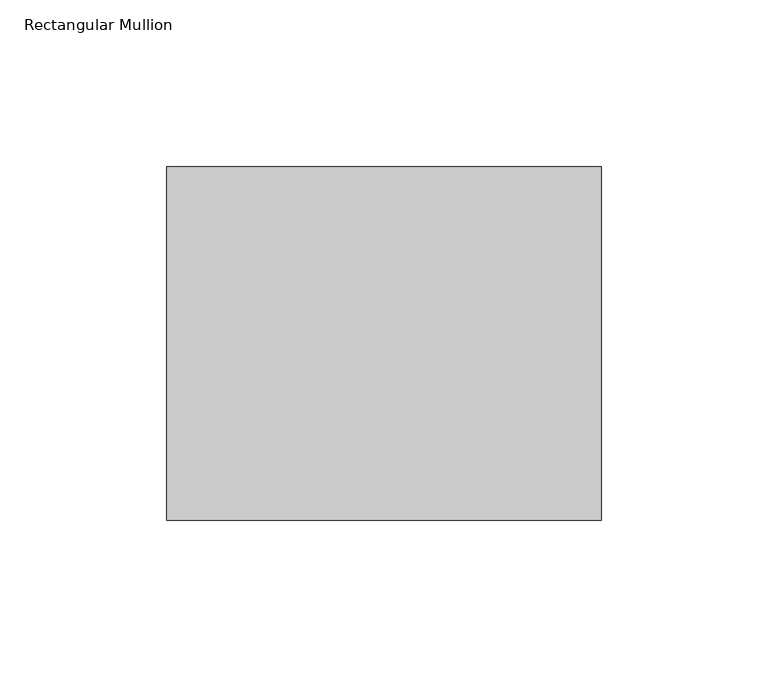
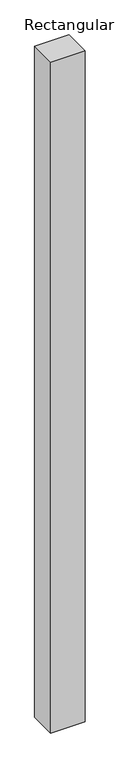
"""IFC4 building model written with IfcOpenShell, lengths in millimetres: member geometry, Rectangular Mullion."""

from ifc_helpers import new_model, si_unit, frame, origin, place, context, project, spatial, polyline, outline, extrude, source, transform, mapped, element, save


def rectangular_mullion_b94d4907(model_context):
    return source(origin(), model_context, "Body", "SweptSolid", [
        extrude(outline(polyline([(0.0, 52.8779994), (0.0, -52.8779994), (-130.0, -52.8779994), (-130.0, 52.8779994), (0.0, 52.8779994)])), frame((0.0, 0.0, -2700.0), z_axis=(0.0, 0.0, 1.0), x_axis=(1.0, 0.0, 0.0)), (0.0, 0.0, 1.0), 2700.0),
    ])


if __name__ == "__main__":
    model = new_model("IFC4")
    model_context = context("Model", 3, world=origin())
    ifc_project = project(units=[si_unit("LENGTHUNIT", "METRE", prefix="MILLI")], contexts=[model_context])
    site = spatial("IfcSite", under=ifc_project)
    building = spatial("IfcBuilding", under=site)
    placement = place(None, origin())
    rectangular_mullion_shape = rectangular_mullion_b94d4907(model_context)
    element("IfcMember", 1, ObjectType="Rectangular Mullion", at=placement, inside=building, context=model_context, shape_type="MappedRepresentation", body=[
        mapped(rectangular_mullion_shape, transform((0.0, 0.0, 0.0), x_axis=(1.0, 0.0, 0.0), y_axis=(0.0, 1.0, 0.0), z_axis=(0.0, 0.0, 1.0))),
    ])
    save(model, "model.ifc")
